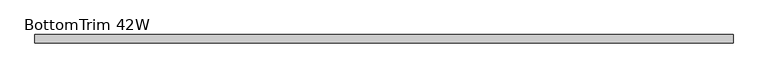
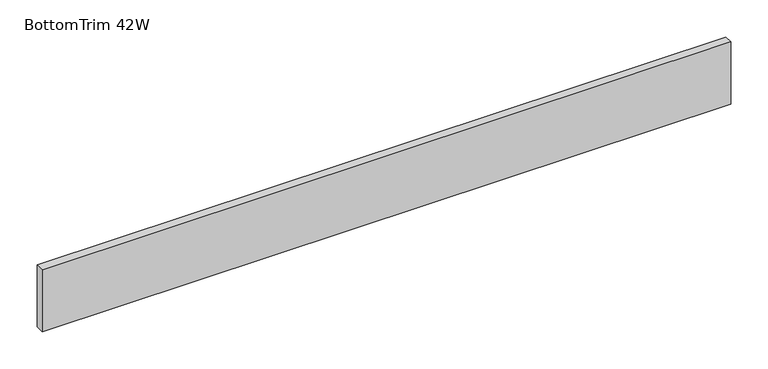
"""IFC4 building model written with IfcOpenShell, lengths in millimetres: furniture geometry, BottomTrim 42W."""

from ifc_helpers import new_model, si_unit, frame, origin, place, context, project, spatial, polyline, outline, extrude, source, transform, mapped, element, save


def bottomtrim_42w_5def6f84(model_context):
    return source(origin(), model_context, "Body", "SweptSolid", [
        extrude(outline(polyline([(0.0, -50.8000015), (0.0, -38.1), (1066.8, -38.1), (1066.8, -50.8000015), (0.0, -50.8000015)])), frame((0.0, 0.0, 25.4), z_axis=(0.0, 0.0, 1.0), x_axis=(1.0, 0.0, 0.0)), (0.0, 0.0, 1.0), 101.600003),
    ])


if __name__ == "__main__":
    model = new_model("IFC4")
    model_context = context("Model", 3, world=origin())
    ifc_project = project(units=[si_unit("LENGTHUNIT", "METRE", prefix="MILLI")], contexts=[model_context])
    site = spatial("IfcSite", under=ifc_project)
    building = spatial("IfcBuilding", under=site)
    placement = place(None, origin())
    bottomtrim_42w_shape = bottomtrim_42w_5def6f84(model_context)
    element("IfcFurniture", 1, ObjectType="BottomTrim 42W", at=placement, inside=building, context=model_context, shape_type="MappedRepresentation", body=[
        mapped(bottomtrim_42w_shape, transform((0.0, 0.0, 0.0), x_axis=(1.0, 0.0, 0.0), y_axis=(0.0, 1.0, 0.0), z_axis=(0.0, 0.0, 1.0))),
    ])
    save(model, "model.ifc")
